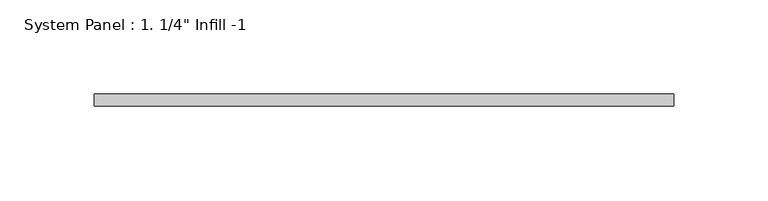
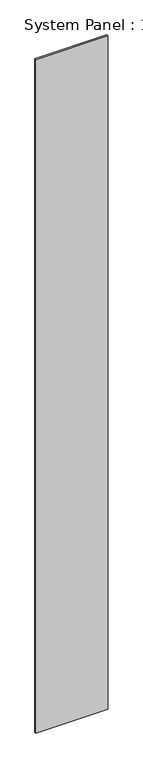
"""IFC4 building model written with IfcOpenShell, lengths in millimetres: plate geometry."""

import ifcopenshell
import ifcopenshell.guid

model = None  # the IFC model being written
_history = None  # IfcOwnerHistory: only IFC2X3 demands one
_inside = {}  # id of a spatial element -> (the spatial element, [elements in it])
_under = {}  # id of a project, library or spatial element -> (it, [spatial elements below it])
_declared = {}  # id of a project -> (the project, [libraries it declares])
_typed = {}  # id of a type object -> (the type object, [elements of that type])
_made_of = {}  # id of a material, layer set ... -> (it, [elements and type objects made of it])


def new_model(schema):
    """Start an empty IFC model of exactly this schema.

    Asked for "IFC4X3", IfcOpenShell would pick the latest addendum, in which some entities
    have other attributes; the version numbers below select the first issue.
    IFC2X3 requires an IfcOwnerHistory on every rooted entity: one is made here for all.
    """
    global model, _history
    if schema == "IFC4X3":
        model = ifcopenshell.file(schema_version=(4, 3, 0, 0))
    else:
        model = ifcopenshell.file(schema=schema)
    _inside.clear()
    _under.clear()
    _declared.clear()
    _typed.clear()
    _made_of.clear()
    _history = None
    if model.schema == "IFC2X3":
        org = make("IfcOrganization", Name="unknown")
        user = make(
            "IfcPersonAndOrganization",
            ThePerson=make("IfcPerson", FamilyName="unknown"),
            TheOrganization=org,
        )
        app = make(
            "IfcApplication",
            ApplicationDeveloper=org,
            Version="unknown",
            ApplicationFullName="unknown",
            ApplicationIdentifier="unknown",
        )
        _history = make(
            "IfcOwnerHistory",
            OwningUser=user,
            OwningApplication=app,
            ChangeAction="ADDED",
            CreationDate=0,
        )
    return model


def make(cls, **values):
    """One entity of the class cls with the attributes given. An attribute that is None is left unset."""
    return model.create_entity(
        cls, **{name: value for name, value in values.items() if value is not None}
    )


def rooted(cls, **values):
    """An entity with a GlobalId (a new one), such as an element, a storey or a relation."""
    return make(cls, GlobalId=ifcopenshell.guid.new(), OwnerHistory=_history, **values)


def si_unit(unit_type, name, prefix=None):
    """IfcSIUnit, for example si_unit("LENGTHUNIT", "METRE", prefix="MILLI")."""
    return make("IfcSIUnit", UnitType=unit_type, Prefix=prefix, Name=name)


def assignment(units):
    """IfcUnitAssignment: the units of a project."""
    return None if units is None else make("IfcUnitAssignment", Units=units)


def point(xyz):
    """IfcCartesianPoint."""
    return None if xyz is None else make("IfcCartesianPoint", Coordinates=xyz)


def direction(xyz):
    """IfcDirection."""
    return None if xyz is None else make("IfcDirection", DirectionRatios=xyz)


def frame(location, z_axis=None, x_axis=None):
    """IfcAxis2Placement3D, a coordinate frame: its origin and axes. An axis left out is left unset."""
    return make(
        "IfcAxis2Placement3D",
        Location=point(location),
        Axis=direction(z_axis),
        RefDirection=direction(x_axis),
    )


def origin():
    """The frame at (0, 0, 0) with its axes left unset."""
    return frame((0.0, 0.0, 0.0))


def origin_with_axes():
    """The frame at (0, 0, 0) with the z axis (0, 0, 1) and the x axis (1, 0, 0) written out."""
    return frame((0.0, 0.0, 0.0), z_axis=(0.0, 0.0, 1.0), x_axis=(1.0, 0.0, 0.0))


def place(relative_to, where):
    """IfcLocalPlacement: puts the frame where relative to a parent placement (None: the world)."""
    return make(
        "IfcLocalPlacement", PlacementRelTo=relative_to, RelativePlacement=where
    )


def context(
    kind, dimensions, precision=None, world=None, true_north=None, identifier=None
):
    """IfcGeometricRepresentationContext, for example the 3D "Model" context."""
    return make(
        "IfcGeometricRepresentationContext",
        ContextIdentifier=identifier,
        ContextType=kind,
        CoordinateSpaceDimension=dimensions,
        Precision=precision,
        WorldCoordinateSystem=world,
        TrueNorth=true_north,
    )


def project(units=None, contexts=None):
    """IfcProject with its units and contexts."""
    return rooted(
        "IfcProject",
        Name="project",
        RepresentationContexts=contexts,
        UnitsInContext=assignment(units),
    )


def spatial(cls, under=None, at=None, **own):
    """A site, building, storey or space (cls), placed at a placement, below another one or the project."""
    s = rooted(cls, ObjectPlacement=at, **own)
    if under is not None:
        _under.setdefault(under.id(), (under, []))[1].append(s)
    return s


def polyline(points):
    """IfcPolyline through the points."""
    return make("IfcPolyline", Points=[point(p) for p in points])


def outline(outer, holes=None, kind="AREA"):
    """IfcArbitraryClosedProfileDef: a profile drawn as a closed curve; with holes, ...WithVoids."""
    if holes is None:
        return make("IfcArbitraryClosedProfileDef", ProfileType=kind, OuterCurve=outer)
    return make(
        "IfcArbitraryProfileDefWithVoids",
        ProfileType=kind,
        OuterCurve=outer,
        InnerCurves=holes,
    )


def extrude(swept, where, along, depth):
    """IfcExtrudedAreaSolid: the profile swept, set in the frame where, extruded along a direction by depth."""
    return make(
        "IfcExtrudedAreaSolid",
        SweptArea=swept,
        Position=where,
        ExtrudedDirection=direction(along),
        Depth=depth,
    )


def shape(context_of_items, identifier, shape_type, items):
    """IfcShapeRepresentation: the items that make up one representation, for example the "Body"."""
    return make(
        "IfcShapeRepresentation",
        ContextOfItems=context_of_items,
        RepresentationIdentifier=identifier,
        RepresentationType=shape_type,
        Items=items,
    )


def source(mapping_origin, context_of_items, identifier, shape_type, items):
    """IfcRepresentationMap: a shape defined once, which mapped items show again and again."""
    return make(
        "IfcRepresentationMap",
        MappingOrigin=mapping_origin,
        MappedRepresentation=shape(context_of_items, identifier, shape_type, items),
    )


def transform(
    local_origin,
    x_axis=None,
    y_axis=None,
    z_axis=None,
    scale=None,
    scale2=None,
    scale3=None,
    uniform=True,
):
    """IfcCartesianTransformationOperator3D, or its non-uniform kind. x_axis, y_axis, z_axis: its Axis1, 2, 3."""
    if uniform:
        return make(
            "IfcCartesianTransformationOperator3D",
            Axis1=direction(x_axis),
            Axis2=direction(y_axis),
            LocalOrigin=point(local_origin),
            Scale=scale,
            Axis3=direction(z_axis),
        )
    return make(
        "IfcCartesianTransformationOperator3DnonUniform",
        Axis1=direction(x_axis),
        Axis2=direction(y_axis),
        LocalOrigin=point(local_origin),
        Scale=scale,
        Axis3=direction(z_axis),
        Scale2=scale2,
        Scale3=scale3,
    )


def mapped(mapping_source, mapping_target):
    """IfcMappedItem: shows the shape of a source again, moved by a transform."""
    return make(
        "IfcMappedItem", MappingSource=mapping_source, MappingTarget=mapping_target
    )


def made_of(thing, what):
    """Note that an element or type object is made of a material, layer set ...; save() writes the relation."""
    if what is not None:
        _made_of.setdefault(what.id(), (what, []))[1].append(thing)
    return thing


def element(
    cls,
    number,
    at=None,
    inside=None,
    cuts=None,
    type_object=None,
    material=None,
    context=None,
    identifier="Body",
    shape_type=None,
    held_by="IfcProductDefinitionShape",
    body=None,
    shapes=None,
    **own,
):
    """One element of the class cls, such as IfcWall. Its Tag is "e" and its number.

    at: its placement. inside: the storey or other place that contains it. cuts: it is an
    opening in that element (IfcRelVoidsElement). A single representation is given by context,
    identifier, shape_type and body (its items); several are given by shapes. held_by: the class
    of the entity that holds the representations. save() writes the other relations.
    """
    e = rooted(cls, Tag="e%d" % number, ObjectPlacement=at, **own)
    if body is not None:
        shapes = [shape(context, identifier, shape_type, body)]
    if shapes is not None:
        e.Representation = make(held_by, Representations=shapes)
    if inside is not None:
        _inside.setdefault(inside.id(), (inside, []))[1].append(e)
    if cuts is not None:
        rooted(
            "IfcRelVoidsElement", RelatingBuildingElement=cuts, RelatedOpeningElement=e
        )
    if type_object is not None:
        _typed.setdefault(type_object.id(), (type_object, []))[1].append(e)
    return made_of(e, material)


def aggregate(whole, parts):
    """IfcRelAggregates: a whole, such as a stair, and the parts it consists of."""
    return rooted("IfcRelAggregates", RelatingObject=whole, RelatedObjects=parts)


def save(model, path):
    """Write the relations noted so far, then the file.

    IfcRelAggregates (storeys below a building ...), IfcRelContainedInSpatialStructure (elements
    in a storey), IfcRelDefinesByType, IfcRelAssociatesMaterial and IfcRelDeclares: one each for
    every whole, place, type object, material and project.
    """
    for whole, parts in _under.values():
        aggregate(whole, parts)
    for where, things in _inside.values():
        rooted(
            "IfcRelContainedInSpatialStructure",
            RelatedElements=things,
            RelatingStructure=where,
        )
    for kind, things in _typed.values():
        rooted("IfcRelDefinesByType", RelatedObjects=things, RelatingType=kind)
    for what, things in _made_of.values():
        rooted("IfcRelAssociatesMaterial", RelatedObjects=things, RelatingMaterial=what)
    for by, libraries in _declared.values():
        rooted("IfcRelDeclares", RelatingContext=by, RelatedDefinitions=libraries)
    model.write(path)


def plate_f600a756(model_context):
    return source(origin(), model_context, "Body", "SweptSolid", [
        extrude(outline(polyline([(154.1043816, 19.05), (-154.1043816, 19.05), (-154.1043816, 25.4), (154.1043816, 25.4), (154.1043816, 19.05)])), origin_with_axes(), (0.0, 0.0, 1.0), 3048.0),
    ])


if __name__ == "__main__":
    model = new_model("IFC4")
    model_context = context("Model", 3, world=origin())
    ifc_project = project(units=[si_unit("LENGTHUNIT", "METRE", prefix="MILLI")], contexts=[model_context])
    site = spatial("IfcSite", under=ifc_project)
    building = spatial("IfcBuilding", under=site)
    placement = place(None, origin())
    plate_shape = plate_f600a756(model_context)
    element("IfcPlate", 1, ObjectType="System Panel : 1. 1/4\" Infill -1", at=placement, inside=building, context=model_context, shape_type="MappedRepresentation", body=[
        mapped(plate_shape, transform((0.0, 0.0, 0.0), x_axis=(1.0, 0.0, 0.0), y_axis=(0.0, 1.0, 0.0), z_axis=(0.0, 0.0, 1.0))),
    ])
    save(model, "model.ifc")
